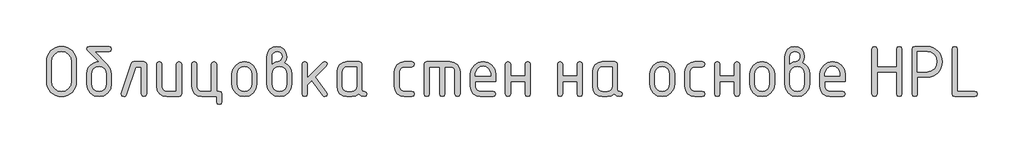
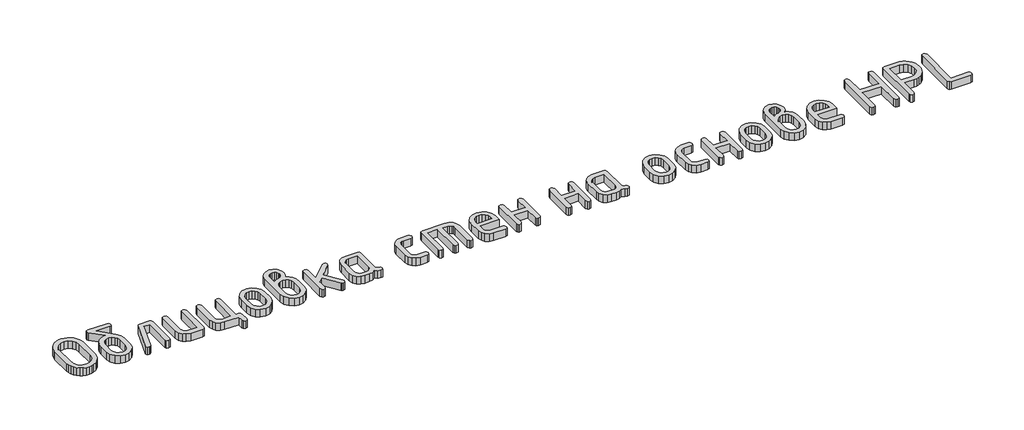
# One storey, part 12 of 33: 1 proxy.
"""IFC4 building model written with IfcOpenShell, lengths in millimetres."""

from ifc_helpers import new_model, si_unit, origin, origin_with_axes, place, context, project, spatial, polyline, outline, extrude, element, save

model = new_model("IFC4")

# Units and contexts
model_context = context("Model", 3, world=origin())
ifc_project = project(units=[si_unit("LENGTHUNIT", "METRE", prefix="MILLI")], contexts=[model_context])

# Site, building, storey
site = spatial("IfcSite", under=ifc_project)
building = spatial("IfcBuilding", under=site)
storey = spatial("IfcBuildingStorey", under=building, Elevation=0.0)

# Proxy
placement = place(None, origin())
element("IfcBuildingElementProxy", 1, Name="Generic Models", at=placement, inside=storey, context=model_context, shape_type="SweptSolid", body=[
    extrude(outline(polyline([(427.7086979, -3146.7716268), (426.0543021, -3165.0052883), (421.0911145, -3181.856924), (412.8191353, -3197.3265339), (401.2383644, -3211.414118), (387.3172287, -3223.1361178), (372.0241549, -3231.5089749), (355.3591432, -3236.5326891), (337.3221934, -3238.2072605), (319.2852436, -3236.5326891), (302.6202318, -3231.5089749), (287.327158, -3223.1361178), (273.4060223, -3211.414118), (261.8252514, -3197.3265339), (253.5532722, -3181.856924), (248.5900847, -3165.0052883), (246.9356888, -3146.7716268), (246.9356888, -3024.9112502), (248.5900847, -3006.6775887), (253.5532722, -2989.825953), (261.8252514, -2974.3563431), (273.4060223, -2960.268759), (287.327158, -2948.5467592), (302.6202318, -2940.1739022), (319.2852436, -2935.150188), (337.3221934, -2933.4756166), (355.457499, -2935.1426222), (372.1754716, -2940.1436388), (387.4761112, -2948.4786667), (401.3594178, -2960.1477056), (412.8872278, -2974.1974606), (421.1213779, -2989.6746363), (426.0618679, -3006.5792329), (427.7086979, -3024.9112502), (427.7086979, -3146.7716268)]), holes=[polyline([(396.7190392, -3146.5295201), (396.7190392, -3025.1533569), (392.4115573, -3001.6286551), (379.4891118, -2982.0583628), (360.3324185, -2968.8635472), (337.3221934, -2964.4652753), (314.3119683, -2968.8635472), (295.1552749, -2982.0583628), (282.2328294, -3001.6286551), (277.9253475, -3025.1533569), (277.9253475, -3146.5295201), (282.2328294, -3170.054222), (295.1552749, -3189.6245143), (314.3119683, -3202.8193299), (337.3221934, -3207.2176018), (360.3324185, -3202.8193299), (379.4891118, -3189.6245143), (392.4115573, -3170.054222), (396.7190392, -3146.5295201)])]), origin_with_axes(), (0.0, 0.0, 1.0), 50.0),
    extrude(outline(polyline([(639.4713657, -3101.3362679), (639.4713657, -3162.185754), (633.9937014, -3191.4100512), (617.5607085, -3215.9737944), (593.3601255, -3232.6488939), (564.5796905, -3238.2072605), (535.7992555, -3232.6388062), (511.5986724, -3215.9334433), (495.1656796, -3191.3192612), (489.6880153, -3162.0243495), (489.6880153, -3101.0941612), (492.2805746, -3079.6626736), (500.0582526, -3061.2877832), (513.0210493, -3045.96949), (531.1689647, -3033.7077939), (546.8857252, -3027.1103861), (561.4323033, -3024.9112502), (494.8529584, -2957.9283942), (489.6880153, -2948.9704459), (493.4204937, -2937.3493239), (504.617929, -2933.4756166), (624.541452, -2933.4756166), (635.7388873, -2937.3493239), (639.4713657, -2948.9704459), (635.7388873, -2960.5915679), (624.541452, -2964.4652753), (539.5619973, -2964.4652753), (614.9378859, -3044.8447025), (633.3379957, -3072.1220584), (639.4713657, -3101.3362679)]), holes=[polyline([(608.481707, -3161.7015405), (608.481707, -3101.0941612), (605.2637053, -3083.6624781), (595.6097003, -3068.9746712), (581.4161945, -3058.9877694), (564.5796905, -3055.6588022), (547.7431865, -3058.9877694), (533.5496807, -3068.9746712), (523.8956757, -3083.6624781), (520.677674, -3101.0941612), (520.677674, -3161.7015405), (523.8654123, -3179.294628), (533.4286273, -3193.982435), (547.5918698, -3203.9088101), (564.5796905, -3207.2176018), (581.4161945, -3203.8886345), (595.6097003, -3193.9017328), (605.2637053, -3179.1937502), (608.481707, -3161.7015405)])]), origin_with_axes(), (0.0, 0.0, 1.0), 50.0),
    extrude(outline(polyline([(774.8090158, -3026.4445927), (835.7392041, -3026.4445927), (847.3603261, -3030.2174222), (851.2340335, -3041.5359108), (851.2340335, -3223.1159423), (847.3603261, -3234.4344309), (835.7392041, -3238.2072605), (824.1180821, -3234.4344309), (820.2443748, -3223.1159423), (820.2443748, -3057.4342514), (785.6231154, -3057.4342514), (728.4859322, -3227.9580765), (723.1797602, -3235.6449645), (714.2016364, -3238.2072605), (702.8226211, -3234.3739042), (699.029616, -3222.8738356), (699.7559361, -3218.2738081), (759.6369954, -3038.7920348), (765.5282586, -3029.5314532), (774.8090158, -3026.4445927)])), origin_with_axes(), (0.0, 0.0, 1.0), 50.0),
    extrude(outline(polyline([(1062.9967012, -3041.5359108), (1062.9967012, -3223.1159423), (1059.2440472, -3234.4344309), (1047.9860853, -3238.2072605), (973.0944101, -3238.2072605), (949.8723416, -3233.8291641), (930.5643316, -3220.6948752), (917.551096, -3201.1851096), (913.2133509, -3177.6805833), (913.2133509, -3041.5359108), (917.0870582, -3030.2174222), (928.7081802, -3026.4445927), (940.3293022, -3030.2174222), (944.2030095, -3041.5359108), (944.2030095, -3177.1156677), (946.3617944, -3188.5451219), (952.8381488, -3198.3000047), (962.3206616, -3204.9882025), (973.4979213, -3207.2176018), (1032.0070425, -3207.2176018), (1032.0070425, -3041.5359108), (1035.8807499, -3030.2174222), (1047.5018719, -3026.4445927), (1059.1229939, -3030.2174222), (1062.9967012, -3041.5359108)])), origin_with_axes(), (0.0, 0.0, 1.0), 50.0),
    extrude(outline(polyline([(1290.2541984, -3207.2176018), (1301.8753204, -3211.0913091), (1305.7490277, -3222.7124311), (1305.7490277, -3269.1969192), (1301.8753204, -3280.8180412), (1290.2541984, -3284.6917485), (1278.6330763, -3280.8180412), (1274.759369, -3269.1969192), (1274.759369, -3238.2072605), (1184.8570779, -3238.2072605), (1161.6350094, -3233.7989008), (1142.3269994, -3220.5738218), (1129.3137638, -3201.0337929), (1124.9760186, -3177.6805833), (1124.9760186, -3041.5359108), (1128.849726, -3030.2174222), (1140.470848, -3026.4445927), (1152.09197, -3030.2174222), (1155.9656773, -3041.5359108), (1155.9656773, -3177.1156677), (1158.1244621, -3188.5451219), (1164.6008166, -3198.3000047), (1174.0833294, -3204.9882025), (1185.2605891, -3207.2176018), (1243.7697103, -3207.2176018), (1243.7697103, -3041.5359108), (1247.6434176, -3030.2174222), (1259.2645397, -3026.4445927), (1270.8856617, -3030.2174222), (1274.759369, -3041.5359108), (1274.759369, -3207.2176018), (1290.2541984, -3207.2176018)])), origin_with_axes(), (0.0, 0.0, 1.0), 50.0),
    extrude(outline(polyline([(1367.7283451, -3162.5892651), (1367.7283451, -3102.062588), (1373.2060094, -3072.9896074), (1389.6390022, -3048.5570054), (1413.8395853, -3031.9726959), (1442.6200203, -3026.4445927), (1471.7030887, -3031.9121692), (1495.8431451, -3048.3148987), (1512.0945579, -3072.686974), (1517.5116955, -3102.062588), (1517.5116955, -3162.5892651), (1512.0340312, -3191.6622457), (1495.6010384, -3216.0948477), (1471.4004553, -3232.6791573), (1442.6200203, -3238.2072605), (1413.8395853, -3232.6791573), (1389.6390022, -3216.0948477), (1373.2060094, -3191.6622457), (1367.7283451, -3162.5892651)]), holes=[polyline([(1486.5220368, -3161.7015405), (1486.5220368, -3101.0941612), (1483.3040351, -3083.6624781), (1473.6500301, -3068.9746712), (1459.4565243, -3058.9877694), (1442.6200203, -3055.6588022), (1425.7835163, -3058.9877694), (1411.5900105, -3068.9746712), (1401.9360055, -3083.6624781), (1398.7180038, -3101.0941612), (1398.7180038, -3161.7015405), (1401.9057421, -3179.294628), (1411.4689571, -3193.982435), (1425.6321996, -3203.9088101), (1442.6200203, -3207.2176018), (1459.4565243, -3203.8886345), (1473.6500301, -3193.9017328), (1483.3040351, -3179.1937502), (1486.5220368, -3161.7015405)])]), origin_with_axes(), (0.0, 0.0, 1.0), 50.0),
    extrude(outline(polyline([(1684.3232177, -3031.1253224), (1702.8544687, -3042.5144255), (1717.1286767, -3059.0886472), (1726.2379416, -3079.1734163), (1729.2743633, -3101.0941612), (1729.2743633, -3162.0243495), (1723.796699, -3191.4705779), (1707.3637061, -3216.0544966), (1683.1631231, -3232.6690695), (1654.3826881, -3238.2072605), (1625.4509364, -3232.6388062), (1601.2806167, -3215.9334433), (1584.9384138, -3191.3192612), (1579.4910129, -3162.0243495), (1579.4910129, -2994.4058049), (1583.8186703, -2970.8004008), (1596.8016425, -2951.1494063), (1615.9785114, -2937.894064), (1638.8878587, -2933.4756166), (1661.8980838, -2937.9243274), (1681.0547771, -2951.2704597), (1693.9772227, -2970.9517175), (1698.2847046, -2994.4058049), (1694.7943328, -3015.1261041), (1684.3232177, -3031.1253224)]), holes=[polyline([(1698.2847046, -3161.7015405), (1698.2847046, -3101.0941612), (1695.0969662, -3083.6624781), (1685.5337512, -3068.9746712), (1671.3705088, -3058.9877694), (1654.3826881, -3055.6588022), (1637.3948673, -3058.9877694), (1623.2316249, -3068.9746712), (1613.6684099, -3083.6624781), (1610.4806716, -3101.0941612), (1610.4806716, -3161.7015405), (1613.6684099, -3179.294628), (1623.2316249, -3193.982435), (1637.3948673, -3203.9088101), (1654.3826881, -3207.2176018), (1671.3705088, -3203.8886345), (1685.5337512, -3193.9017328), (1695.0969662, -3179.1937502), (1698.2847046, -3161.7015405)]), polyline([(1610.4806716, -3041.2131019), (1628.9614837, -3029.8946133), (1645.828251, -3026.1217837), (1654.9072526, -3023.4787855), (1663.259934, -3015.5497908), (1669.1310217, -3005.6839424), (1671.088051, -2995.7777429), (1668.9090906, -2983.9750409), (1662.3722095, -2974.2302459), (1652.6072389, -2967.6933647), (1640.7440102, -2965.5144044), (1629.0926248, -2967.7236281), (1619.3175664, -2974.3512992), (1612.6898953, -2984.1263576), (1610.4806716, -2995.7777429), (1610.4806716, -3041.2131019)])]), origin_with_axes(), (0.0, 0.0, 1.0), 50.0),
    extrude(outline(polyline([(1822.2433394, -3125.8697477), (1917.4719781, -3030.8025134), (1928.2860777, -3026.4445927), (1939.665093, -3030.2174222), (1943.4580981, -3041.5359108), (1938.8580707, -3052.1079038), (1872.2787258, -3118.6065464), (1940.4721154, -3214.4001008), (1943.4580981, -3223.2773468), (1939.665093, -3234.474782), (1928.2860777, -3238.2072605), (1921.1439298, -3236.5932157), (1915.6965289, -3231.7510816), (1850.489122, -3140.1540435), (1822.2433394, -3168.3998261), (1822.2433394, -3223.0352401), (1818.369632, -3234.4142554), (1806.74851, -3238.2072605), (1795.127388, -3234.4344309), (1791.2536807, -3223.1159423), (1791.2536807, -3041.5359108), (1795.127388, -3030.2174222), (1806.74851, -3026.4445927), (1818.369632, -3030.2174222), (1822.2433394, -3041.5359108), (1822.2433394, -3125.8697477)])), origin_with_axes(), (0.0, 0.0, 1.0), 50.0),
    extrude(outline(polyline([(2183.0630374, -3223.1159423), (2179.2902078, -3234.4344309), (2167.9717192, -3238.2072605), (2148.8251137, -3234.1923242), (2133.5118644, -3222.1475155), (2115.0915789, -3234.1923242), (2092.9186396, -3238.2072605), (2062.8974077, -3238.2072605), (2039.6753392, -3233.8291641), (2020.3673292, -3220.6948752), (2007.3540936, -3201.1851096), (2003.0163484, -3177.6805833), (2003.0163484, -3086.9712698), (2007.3540936, -3063.4667435), (2020.3673292, -3043.9569779), (2039.6753392, -3030.822689), (2062.8974077, -3026.4445927), (2137.7890829, -3026.4445927), (2149.0470448, -3030.2174222), (2152.7996988, -3041.5359108), (2152.7996988, -3192.8526037), (2156.5826161, -3204.1710923), (2167.9313681, -3207.9439219), (2179.2801201, -3211.736927), (2183.0630374, -3223.1159423)]), holes=[polyline([(2121.8100401, -3057.4342514), (2063.3009189, -3057.4342514), (2052.0227814, -3059.6232995), (2042.5604442, -3066.190444), (2036.1446164, -3075.8646246), (2034.0060071, -3087.374781), (2034.0060071, -3177.2770721), (2036.1647919, -3188.6863508), (2042.6411464, -3198.3807069), (2052.1236592, -3205.008378), (2063.3009189, -3207.2176018), (2092.5151284, -3207.2176018), (2103.7932659, -3205.0285536), (2113.2556031, -3198.4614091), (2119.6714309, -3188.7872286), (2121.8100401, -3177.2770721), (2121.8100401, -3057.4342514)])]), origin_with_axes(), (0.0, 0.0, 1.0), 50.0),
    extrude(outline(polyline([(2380.0571959, -3087.374781), (2380.0571959, -3177.2770721), (2382.296683, -3188.6863508), (2389.0151442, -3198.3807069), (2398.8204659, -3205.008378), (2410.3205345, -3207.2176018), (2455.8365957, -3207.2176018), (2467.1550844, -3211.0913091), (2470.9279139, -3222.7124311), (2467.1550844, -3234.3335531), (2455.8365957, -3238.2072605), (2410.3205345, -3238.2072605), (2386.7756571, -3233.8291641), (2366.9834337, -3220.6948752), (2353.5465113, -3201.1851096), (2349.0675372, -3177.6805833), (2349.0675372, -3086.9712698), (2353.5465113, -3063.4667435), (2366.9834337, -3043.9569779), (2386.7756571, -3030.822689), (2410.3205345, -3026.4445927), (2455.8365957, -3026.4445927), (2467.1550844, -3030.3183), (2470.9279139, -3041.939422), (2467.1550844, -3053.560544), (2455.8365957, -3057.4342514), (2410.3205345, -3057.4342514), (2398.6691492, -3059.6232995), (2388.8940908, -3066.190444), (2382.2664197, -3075.8646246), (2380.0571959, -3087.374781)])), origin_with_axes(), (0.0, 0.0, 1.0), 50.0),
    extrude(outline(polyline([(2545.3353757, -3026.4445927), (2684.7888398, -3026.4445927), (2708.6767017, -3030.8529523), (2728.6908563, -3044.0780313), (2742.248832, -3063.6180602), (2746.7681572, -3086.9712698), (2746.7681572, -3223.1159423), (2742.8944499, -3234.4344309), (2731.2733279, -3238.2072605), (2719.6522058, -3234.4344309), (2715.7784985, -3223.1159423), (2715.7784985, -3087.5361855), (2713.5490992, -3075.8040979), (2706.8609014, -3066.1097418), (2696.8840875, -3059.603124), (2684.7888398, -3057.4342514), (2653.7991811, -3057.4342514), (2653.7991811, -3223.1159423), (2649.9254738, -3234.4344309), (2638.3043518, -3238.2072605), (2626.6832297, -3234.4344309), (2622.8095224, -3223.1159423), (2622.8095224, -3057.4342514), (2560.830205, -3057.4342514), (2560.830205, -3223.1159423), (2556.9564977, -3234.4344309), (2545.3353757, -3238.2072605), (2533.7142537, -3234.4344309), (2529.8405463, -3223.1159423), (2529.8405463, -3041.5359108), (2533.7142537, -3030.2174222), (2545.3353757, -3026.4445927)])), origin_with_axes(), (0.0, 0.0, 1.0), 50.0),
    extrude(outline(polyline([(2839.7371333, -3145.2382844), (2839.7371333, -3176.2279431), (2841.9766204, -3188.0205573), (2848.6950815, -3198.057898), (2858.5004032, -3204.9276758), (2870.0004719, -3207.2176018), (2945.7798717, -3207.2176018), (2957.158887, -3211.0913091), (2960.9518921, -3222.7124311), (2957.158887, -3234.3335531), (2945.7798717, -3238.2072605), (2870.0004719, -3238.2072605), (2846.4555945, -3233.8291641), (2826.663371, -3220.6948752), (2813.2264487, -3201.1851096), (2808.7474746, -3177.6805833), (2808.7474746, -3102.062588), (2814.3663678, -3072.9896074), (2831.2230474, -3048.5570054), (2855.948195, -3031.9726959), (2885.1724923, -3026.4445927), (2914.6187207, -3031.8112914), (2939.0412349, -3047.9113875), (2955.4742278, -3071.8396005), (2960.9518921, -3100.69065), (2960.9518921, -3145.2382844), (2839.7371333, -3145.2382844)]), holes=[polyline([(2885.1724923, -3053.6412463), (2867.7408093, -3056.9702135), (2853.0530023, -3066.9571153), (2843.0661005, -3081.6449222), (2839.7371333, -3099.0766053), (2839.7371333, -3114.2486257), (2930.6078513, -3114.2486257), (2930.6078513, -3099.0766053), (2927.278884, -3081.6449222), (2917.2919823, -3066.9571153), (2902.6041753, -3056.9702135), (2885.1724923, -3053.6412463)])]), origin_with_axes(), (0.0, 0.0, 1.0), 50.0),
    extrude(outline(polyline([(3051.4998011, -3145.2382844), (3051.4998011, -3222.7124311), (3047.6260937, -3234.3335531), (3036.0049717, -3238.2072605), (3024.3838497, -3234.4344309), (3020.5101424, -3223.1159423), (3020.5101424, -3041.5359108), (3024.3838497, -3030.2174222), (3036.0049717, -3026.4445927), (3047.6260937, -3030.0963689), (3051.4998011, -3041.0516974), (3051.4998011, -3114.2486257), (3139.3038341, -3114.2486257), (3139.3038341, -3041.0516974), (3143.1775414, -3030.0963689), (3154.7986634, -3026.4445927), (3166.4197854, -3030.2174222), (3170.2934928, -3041.5359108), (3170.2934928, -3223.1159423), (3166.4197854, -3234.4344309), (3154.7986634, -3238.2072605), (3143.1775414, -3234.3335531), (3139.3038341, -3222.7124311), (3139.3038341, -3145.2382844), (3051.4998011, -3145.2382844)])), origin_with_axes(), (0.0, 0.0, 1.0), 50.0),
    extrude(outline(polyline([(3366.5613312, -3145.2382844), (3366.5613312, -3222.7124311), (3362.6876239, -3234.3335531), (3351.0665018, -3238.2072605), (3339.4453798, -3234.4344309), (3335.5716725, -3223.1159423), (3335.5716725, -3041.5359108), (3339.4453798, -3030.2174222), (3351.0665018, -3026.4445927), (3362.6876239, -3030.0963689), (3366.5613312, -3041.0516974), (3366.5613312, -3114.2486257), (3454.3653642, -3114.2486257), (3454.3653642, -3041.0516974), (3458.2390715, -3030.0963689), (3469.8601935, -3026.4445927), (3481.4813155, -3030.2174222), (3485.3550229, -3041.5359108), (3485.3550229, -3223.1159423), (3481.4813155, -3234.4344309), (3469.8601935, -3238.2072605), (3458.2390715, -3234.3335531), (3454.3653642, -3222.7124311), (3454.3653642, -3145.2382844), (3366.5613312, -3145.2382844)])), origin_with_axes(), (0.0, 0.0, 1.0), 50.0),
    extrude(outline(polyline([(3727.3810292, -3223.1159423), (3723.6081997, -3234.4344309), (3712.289711, -3238.2072605), (3693.1431055, -3234.1923242), (3677.8298562, -3222.1475155), (3659.4095708, -3234.1923242), (3637.2366314, -3238.2072605), (3607.2153995, -3238.2072605), (3583.9933311, -3233.8291641), (3564.685321, -3220.6948752), (3551.6720855, -3201.1851096), (3547.3343403, -3177.6805833), (3547.3343403, -3086.9712698), (3551.6720855, -3063.4667435), (3564.685321, -3043.9569779), (3583.9933311, -3030.822689), (3607.2153995, -3026.4445927), (3682.1070747, -3026.4445927), (3693.3650367, -3030.2174222), (3697.1176906, -3041.5359108), (3697.1176906, -3192.8526037), (3700.900608, -3204.1710923), (3712.2493599, -3207.9439219), (3723.5981119, -3211.736927), (3727.3810292, -3223.1159423)]), holes=[polyline([(3666.1280319, -3057.4342514), (3607.6189107, -3057.4342514), (3596.3407732, -3059.6232995), (3586.878436, -3066.190444), (3580.4626082, -3075.8646246), (3578.323999, -3087.374781), (3578.323999, -3177.2770721), (3580.4827838, -3188.6863508), (3586.9591382, -3198.3807069), (3596.441651, -3205.008378), (3607.6189107, -3207.2176018), (3636.8331202, -3207.2176018), (3648.1112577, -3205.0285536), (3657.5735949, -3198.4614091), (3663.9894227, -3188.7872286), (3666.1280319, -3177.2770721), (3666.1280319, -3057.4342514)])]), origin_with_axes(), (0.0, 0.0, 1.0), 50.0),
    extrude(outline(polyline([(3893.3855291, -3162.5892651), (3893.3855291, -3102.062588), (3898.8631934, -3072.9896074), (3915.2961862, -3048.5570054), (3939.4967693, -3031.9726959), (3968.2772043, -3026.4445927), (3997.3602726, -3031.9121692), (4021.500329, -3048.3148987), (4037.7517418, -3072.686974), (4043.1688794, -3102.062588), (4043.1688794, -3162.5892651), (4037.6912152, -3191.6622457), (4021.2582223, -3216.0948477), (3997.0576392, -3232.6791573), (3968.2772043, -3238.2072605), (3939.4967693, -3232.6791573), (3915.2961862, -3216.0948477), (3898.8631934, -3191.6622457), (3893.3855291, -3162.5892651)]), holes=[polyline([(4012.1792208, -3161.7015405), (4012.1792208, -3101.0941612), (4008.9612191, -3083.6624781), (3999.3072141, -3068.9746712), (3985.1137083, -3058.9877694), (3968.2772043, -3055.6588022), (3951.4407002, -3058.9877694), (3937.2471944, -3068.9746712), (3927.5931894, -3083.6624781), (3924.3751878, -3101.0941612), (3924.3751878, -3161.7015405), (3927.5629261, -3179.294628), (3937.1261411, -3193.982435), (3951.2893835, -3203.9088101), (3968.2772043, -3207.2176018), (3985.1137083, -3203.8886345), (3999.3072141, -3193.9017328), (4008.9612191, -3179.1937502), (4012.1792208, -3161.7015405)])]), origin_with_axes(), (0.0, 0.0, 1.0), 50.0),
    extrude(outline(polyline([(4136.1378555, -3087.374781), (4136.1378555, -3177.2770721), (4138.3773426, -3188.6863508), (4145.0958038, -3198.3807069), (4154.9011255, -3205.008378), (4166.4011941, -3207.2176018), (4211.9172553, -3207.2176018), (4223.235744, -3211.0913091), (4227.0085735, -3222.7124311), (4223.235744, -3234.3335531), (4211.9172553, -3238.2072605), (4166.4011941, -3238.2072605), (4142.8563167, -3233.8291641), (4123.0640933, -3220.6948752), (4109.627171, -3201.1851096), (4105.1481968, -3177.6805833), (4105.1481968, -3086.9712698), (4109.627171, -3063.4667435), (4123.0640933, -3043.9569779), (4142.8563167, -3030.822689), (4166.4011941, -3026.4445927), (4211.9172553, -3026.4445927), (4223.235744, -3030.3183), (4227.0085735, -3041.939422), (4223.235744, -3053.560544), (4211.9172553, -3057.4342514), (4166.4011941, -3057.4342514), (4154.7498088, -3059.6232995), (4144.9747504, -3066.190444), (4138.3470793, -3075.8646246), (4136.1378555, -3087.374781)])), origin_with_axes(), (0.0, 0.0, 1.0), 50.0),
    extrude(outline(polyline([(4316.9108646, -3145.2382844), (4316.9108646, -3222.7124311), (4313.0371573, -3234.3335531), (4301.4160353, -3238.2072605), (4289.7949133, -3234.4344309), (4285.9212059, -3223.1159423), (4285.9212059, -3041.5359108), (4289.7949133, -3030.2174222), (4301.4160353, -3026.4445927), (4313.0371573, -3030.0963689), (4316.9108646, -3041.0516974), (4316.9108646, -3114.2486257), (4404.7148976, -3114.2486257), (4404.7148976, -3041.0516974), (4408.5886049, -3030.0963689), (4420.209727, -3026.4445927), (4431.830849, -3030.2174222), (4435.7045563, -3041.5359108), (4435.7045563, -3223.1159423), (4431.830849, -3234.4344309), (4420.209727, -3238.2072605), (4408.5886049, -3234.3335531), (4404.7148976, -3222.7124311), (4404.7148976, -3145.2382844), (4316.9108646, -3145.2382844)])), origin_with_axes(), (0.0, 0.0, 1.0), 50.0),
    extrude(outline(polyline([(4497.6838737, -3162.5892651), (4497.6838737, -3102.062588), (4503.161538, -3072.9896074), (4519.5945308, -3048.5570054), (4543.7951139, -3031.9726959), (4572.5755489, -3026.4445927), (4601.6586173, -3031.9121692), (4625.7986737, -3048.3148987), (4642.0500865, -3072.686974), (4647.4672241, -3102.062588), (4647.4672241, -3162.5892651), (4641.9895598, -3191.6622457), (4625.556567, -3216.0948477), (4601.3559839, -3232.6791573), (4572.5755489, -3238.2072605), (4543.7951139, -3232.6791573), (4519.5945308, -3216.0948477), (4503.161538, -3191.6622457), (4497.6838737, -3162.5892651)]), holes=[polyline([(4616.4775654, -3161.7015405), (4616.4775654, -3101.0941612), (4613.2595637, -3083.6624781), (4603.6055587, -3068.9746712), (4589.4120529, -3058.9877694), (4572.5755489, -3055.6588022), (4555.7390449, -3058.9877694), (4541.5455391, -3068.9746712), (4531.8915341, -3083.6624781), (4528.6735324, -3101.0941612), (4528.6735324, -3161.7015405), (4531.8612707, -3179.294628), (4541.4244857, -3193.982435), (4555.5877282, -3203.9088101), (4572.5755489, -3207.2176018), (4589.4120529, -3203.8886345), (4603.6055587, -3193.9017328), (4613.2595637, -3179.1937502), (4616.4775654, -3161.7015405)])]), origin_with_axes(), (0.0, 0.0, 1.0), 50.0),
    extrude(outline(polyline([(4814.2787463, -3031.1253224), (4832.8099973, -3042.5144255), (4847.0842053, -3059.0886472), (4856.1934702, -3079.1734163), (4859.2298919, -3101.0941612), (4859.2298919, -3162.0243495), (4853.7522276, -3191.4705779), (4837.3192347, -3216.0544966), (4813.1186517, -3232.6690695), (4784.3382167, -3238.2072605), (4755.406465, -3232.6388062), (4731.2361453, -3215.9334433), (4714.8939424, -3191.3192612), (4709.4465415, -3162.0243495), (4709.4465415, -2994.4058049), (4713.7741989, -2970.8004008), (4726.7571711, -2951.1494063), (4745.93404, -2937.894064), (4768.8433873, -2933.4756166), (4791.8536124, -2937.9243274), (4811.0103057, -2951.2704597), (4823.9327513, -2970.9517175), (4828.2402332, -2994.4058049), (4824.7498614, -3015.1261041), (4814.2787463, -3031.1253224)]), holes=[polyline([(4740.4362002, -3041.2131019), (4758.9170123, -3029.8946133), (4775.7837796, -3026.1217837), (4784.8627812, -3023.4787855), (4793.2154626, -3015.5497908), (4799.0865503, -3005.6839424), (4801.0435796, -2995.7777429), (4798.8646192, -2983.9750409), (4792.3277381, -2974.2302459), (4782.5627675, -2967.6933647), (4770.6995388, -2965.5144044), (4759.0481534, -2967.7236281), (4749.273095, -2974.3512992), (4742.6454239, -2984.1263576), (4740.4362002, -2995.7777429), (4740.4362002, -3041.2131019)]), polyline([(4828.2402332, -3161.7015405), (4828.2402332, -3101.0941612), (4825.0524948, -3083.6624781), (4815.4892798, -3068.9746712), (4801.3260374, -3058.9877694), (4784.3382167, -3055.6588022), (4767.3503959, -3058.9877694), (4753.1871535, -3068.9746712), (4743.6239385, -3083.6624781), (4740.4362002, -3101.0941612), (4740.4362002, -3161.7015405), (4743.6239385, -3179.294628), (4753.1871535, -3193.982435), (4767.3503959, -3203.9088101), (4784.3382167, -3207.2176018), (4801.3260374, -3203.8886345), (4815.4892798, -3193.9017328), (4825.0524948, -3179.1937502), (4828.2402332, -3161.7015405)])]), origin_with_axes(), (0.0, 0.0, 1.0), 50.0),
    extrude(outline(polyline([(4952.198868, -3145.2382844), (4952.198868, -3176.2279431), (4954.438355, -3188.0205573), (4961.1568162, -3198.057898), (4970.9621379, -3204.9276758), (4982.4622065, -3207.2176018), (5058.2416063, -3207.2176018), (5069.6206216, -3211.0913091), (5073.4136267, -3222.7124311), (5069.6206216, -3234.3335531), (5058.2416063, -3238.2072605), (4982.4622065, -3238.2072605), (4958.9173291, -3233.8291641), (4939.1251057, -3220.6948752), (4925.6881834, -3201.1851096), (4921.2092093, -3177.6805833), (4921.2092093, -3102.062588), (4926.8281024, -3072.9896074), (4943.684782, -3048.5570054), (4968.4099296, -3031.9726959), (4997.6342269, -3026.4445927), (5027.0804554, -3031.8112914), (5051.5029696, -3047.9113875), (5067.9359624, -3071.8396005), (5073.4136267, -3100.69065), (5073.4136267, -3145.2382844), (4952.198868, -3145.2382844)]), holes=[polyline([(4997.6342269, -3053.6412463), (4980.2025439, -3056.9702135), (4965.5147369, -3066.9571153), (4955.5278352, -3081.6449222), (4952.198868, -3099.0766053), (4952.198868, -3114.2486257), (5043.0695859, -3114.2486257), (5043.0695859, -3099.0766053), (5039.7406187, -3081.6449222), (5029.7537169, -3066.9571153), (5015.0659099, -3056.9702135), (4997.6342269, -3053.6412463)])]), origin_with_axes(), (0.0, 0.0, 1.0), 50.0),
    extrude(outline(polyline([(5236.2707394, -3222.9545378), (5236.2707394, -2948.7283392), (5240.1444467, -2937.2887972), (5251.7655687, -2933.4756166), (5263.3866907, -2937.3493239), (5267.2603981, -2948.9704459), (5267.2603981, -3057.4342514), (5386.0540897, -3057.4342514), (5386.0540897, -2948.9704459), (5389.9277971, -2937.3493239), (5401.5489191, -2933.4756166), (5413.1700411, -2937.2887972), (5417.0437484, -2948.7283392), (5417.0437484, -3222.9545378), (5413.1700411, -3234.3940798), (5401.5489191, -3238.2072605), (5389.9277971, -3234.4546065), (5386.0540897, -3223.1966445), (5386.0540897, -3088.4239101), (5267.2603981, -3088.4239101), (5267.2603981, -3223.1966445), (5263.3866907, -3234.4546065), (5251.7655687, -3238.2072605), (5240.1444467, -3234.3940798), (5236.2707394, -3222.9545378)])), origin_with_axes(), (0.0, 0.0, 1.0), 50.0),
    extrude(outline(polyline([(5494.114384, -2933.4756166), (5569.4095704, -2933.4756166), (5587.544876, -2935.1703635), (5604.2628486, -2940.2546044), (5619.5634882, -2948.7283392), (5633.4467948, -2960.5915679), (5644.9746048, -2974.8758638), (5653.2087549, -2990.6127998), (5658.1492449, -3007.8023761), (5659.7960749, -3026.4445927), (5658.234991, -3046.1359383), (5653.5517394, -3063.8904303), (5645.74632, -3079.7080686), (5634.8187328, -3093.5888532), (5621.3944202, -3104.8871663), (5606.0988245, -3112.9573899), (5588.9319457, -3117.7995241), (5569.8937838, -3119.4135688), (5510.0127245, -3119.4135688), (5510.0127245, -3223.358049), (5506.1390172, -3234.4949576), (5494.5178952, -3238.2072605), (5482.8967732, -3234.3940798), (5479.0230658, -3222.9545378), (5479.0230658, -2948.7283392), (5482.7958954, -2937.2887972), (5494.114384, -2933.4756166)]), holes=[polyline([(5510.0127245, -2964.4652753), (5510.0127245, -3088.4239101), (5569.4095704, -3088.4239101), (5592.4197955, -3083.9348482), (5611.5764888, -3070.4676625), (5624.4989344, -3050.4837713), (5628.8064162, -3026.4445927), (5624.4989344, -3002.4054141), (5611.5764888, -2982.4215228), (5592.4197955, -2968.9543372), (5569.4095704, -2964.4652753), (5510.0127245, -2964.4652753)])]), origin_with_axes(), (0.0, 0.0, 1.0), 50.0),
    extrude(outline(polyline([(5721.7753923, -2948.7283392), (5725.6490996, -2937.2887972), (5737.2702217, -2933.4756166), (5748.8913437, -2937.2686217), (5752.765051, -2948.647637), (5752.765051, -3207.2176018), (5858.8077894, -3207.2176018), (5870.1868047, -3211.0913091), (5873.9798098, -3222.7124311), (5870.1868047, -3234.3335531), (5858.8077894, -3238.2072605), (5737.2702217, -3238.2072605), (5725.6490996, -3234.3940798), (5721.7753923, -3222.9545378), (5721.7753923, -2948.7283392)])), origin_with_axes(), (0.0, 0.0, 1.0), 50.0),
])

save(model, "model.ifc")
